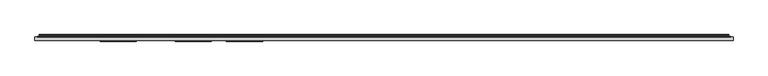
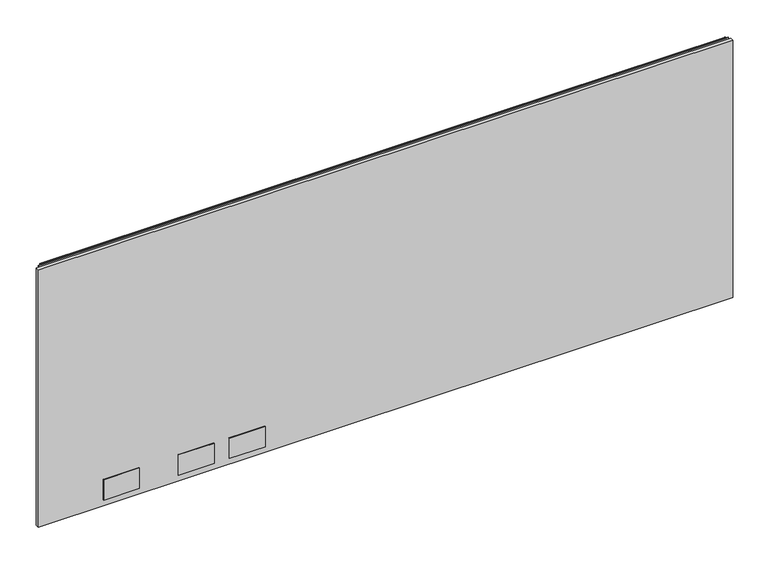
"""IFC4 building model written with IfcOpenShell, lengths in millimetres: furniture geometry."""

from ifc_helpers import new_model, si_unit, point, frame, frame_2d, origin, place, context, project, spatial, polyline, circle_curve, trimmed, segment, composite_curve, outline, extrude, source, transform, mapped, element, save


def furniture_fa1e0c91(model_context):
    return source(origin(), model_context, "Body", "SweptSolid", [
        extrude(outline(polyline([(1.778, 1.45288), (1.778, 10.9778796), (1827.0219835, 10.9778796), (1827.0219835, 1.45288), (1.778, 1.45288)])), frame((0.0, 0.0, 16.0528), z_axis=(0.0, 0.0, 1.0), x_axis=(1.0, 0.0, 0.0)), (0.0, 0.0, 1.0), 715.7592871),
        extrude(outline(polyline([(266.572991, -0.57912), (172.3390082, -0.57912), (172.3390082, 1.45288), (266.572991, 1.45288), (266.572991, -0.57912)])), frame((0.0, 0.0, 33.5787996), z_axis=(0.0, 0.0, 1.0), x_axis=(1.0, 0.0, 0.0)), (0.0, 0.0, 1.0), 56.6420005),
        extrude(outline(polyline([(463.422985, -0.57912), (369.188984, -0.57912), (369.188984, 1.45288), (463.422985, 1.45288), (463.422985, -0.57912)])), frame((0.0, 0.0, 33.5787996), z_axis=(0.0, 0.0, 1.0), x_axis=(1.0, 0.0, 0.0)), (0.0, 0.0, 1.0), 56.6420005),
        extrude(outline(polyline([(596.772985, -0.57912), (502.538984, -0.57912), (502.538984, 1.45288), (596.772985, 1.45288), (596.772985, -0.57912)])), frame((0.0, 0.0, 33.5787996), z_axis=(0.0, 0.0, 1.0), x_axis=(1.0, 0.0, 0.0)), (0.0, 0.0, 1.0), 56.6420005),
        extrude(outline(composite_curve([segment(polyline([(10.9778796, 736.2381024), (10.9778796, 737.1805903)]), True, "CONTINUOUS"), segment(trimmed(circle_curve(frame_2d((11.6164846, 737.1805903)), 0.638605), [point((10.9778796, 737.1805903))], [point((11.6164846, 737.8191953))], False, "CARTESIAN"), True, "CONTINUOUS"), segment(polyline([(11.6164846, 737.8191953), (13.251317, 737.8191953)]), True, "CONTINUOUS"), segment(trimmed(circle_curve(frame_2d((13.251317, 735.4458753)), 2.37332), [point((13.251317, 737.8191953))], [point((15.6071079, 735.1579575))], False, "CARTESIAN"), True, "CONTINUOUS"), segment(polyline([(15.6071079, 735.1579575), (15.2080413, 731.8927287)]), True, "CONTINUOUS"), segment(trimmed(circle_curve(frame_2d((17.5068753, 731.6117719)), 2.3159393), [point((15.2080413, 731.8927287))], [point((15.5012134, 730.4538018))], True, "CARTESIAN"), True, "CONTINUOUS"), segment(polyline([(15.5012134, 730.4538018), (16.6600675, 728.4466087), (15.9781592, 728.0529085), (14.819305, 730.0601016)]), True, "CONTINUOUS"), segment(trimmed(circle_curve(frame_2d((17.5068753, 731.6117719)), 3.1033393), [point((14.819305, 730.0601016))], [point((14.4264569, 731.9882516))], False, "CARTESIAN"), True, "CONTINUOUS"), segment(polyline([(14.4264569, 731.9882516), (14.8255236, 735.2534804)]), True, "CONTINUOUS"), segment(trimmed(circle_curve(frame_2d((13.251317, 735.4458753)), 1.58592), [point((14.8255236, 735.2534804))], [point((13.251317, 737.0317953))], True, "CARTESIAN"), True, "CONTINUOUS"), segment(polyline([(13.251317, 737.0317953), (11.7652796, 737.0317953), (11.7652796, 736.2381024), (10.9778796, 736.2381024)]), True, "CONTINUOUS")], self_intersect=False)), frame((13.7160002, 0.0, 0.0), z_axis=(1.0, 0.0, 0.0), x_axis=(0.0, 1.0, 0.0)), (0.0, 0.0, 1.0), 1801.3680076),
        extrude(outline(polyline([(8.1280002, 10.9778796), (8.1280002, 11.7652796), (1820.6720078, 11.7652796), (1820.6720078, 10.9778796), (8.1280002, 10.9778796)])), frame((0.0, 0.0, 705.5612079), z_axis=(0.0, 0.0, 1.0), x_axis=(1.0, 0.0, 0.0)), (0.0, 0.0, 1.0), 30.8009179),
    ])


if __name__ == "__main__":
    model = new_model("IFC4")
    model_context = context("Model", 3, world=origin())
    ifc_project = project(units=[si_unit("LENGTHUNIT", "METRE", prefix="MILLI")], contexts=[model_context])
    site = spatial("IfcSite", under=ifc_project)
    building = spatial("IfcBuilding", under=site)
    placement = place(None, origin())
    furniture_shape = furniture_fa1e0c91(model_context)
    element("IfcFurniture", 1, at=placement, inside=building, context=model_context, shape_type="MappedRepresentation", body=[
        mapped(furniture_shape, transform((0.0, 0.0, 0.0), x_axis=(1.0, 0.0, 0.0), y_axis=(0.0, 1.0, 0.0), z_axis=(0.0, 0.0, 1.0))),
    ])
    save(model, "model.ifc")
